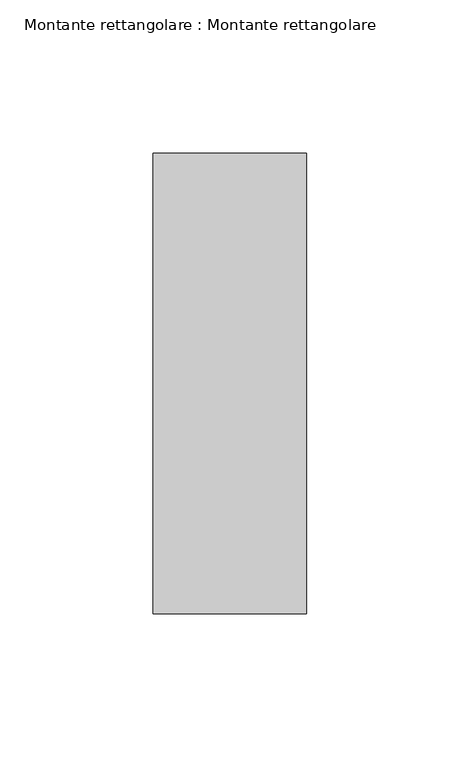
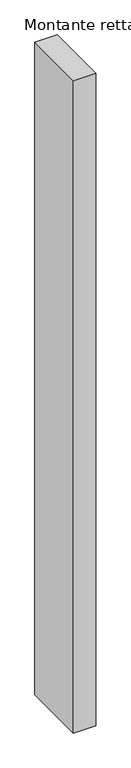
"""IFC4 building model written with IfcOpenShell, lengths in millimetres: member geometry, Montante rettangolare : Montante rettangolare."""

from ifc_helpers import new_model, si_unit, frame, origin, place, context, project, spatial, polyline, outline, extrude, source, transform, mapped, element, save


def montante_rettangolare_montante_rettangolare_c6cdfc8d(model_context):
    return source(origin(), model_context, "Body", "SweptSolid", [
        extrude(outline(polyline([(0.0, 75.0), (0.0, -75.0), (-50.0, -75.0), (-50.0, 75.0), (0.0, 75.0)])), frame((0.0, 0.0, -1550.0), z_axis=(0.0, 0.0, 1.0), x_axis=(1.0, 0.0, 0.0)), (0.0, 0.0, 1.0), 1550.0),
    ])


if __name__ == "__main__":
    model = new_model("IFC4")
    model_context = context("Model", 3, world=origin())
    ifc_project = project(units=[si_unit("LENGTHUNIT", "METRE", prefix="MILLI")], contexts=[model_context])
    site = spatial("IfcSite", under=ifc_project)
    building = spatial("IfcBuilding", under=site)
    placement = place(None, origin())
    montante_rettangolare_montante_rettangolare_shape = montante_rettangolare_montante_rettangolare_c6cdfc8d(model_context)
    element("IfcMember", 1, ObjectType="Montante rettangolare : Montante rettangolare", at=placement, inside=building, context=model_context, shape_type="MappedRepresentation", body=[
        mapped(montante_rettangolare_montante_rettangolare_shape, transform((0.0, 0.0, 0.0), x_axis=(1.0, 0.0, 0.0), y_axis=(0.0, 1.0, 0.0), z_axis=(0.0, 0.0, 1.0))),
    ])
    save(model, "model.ifc")
